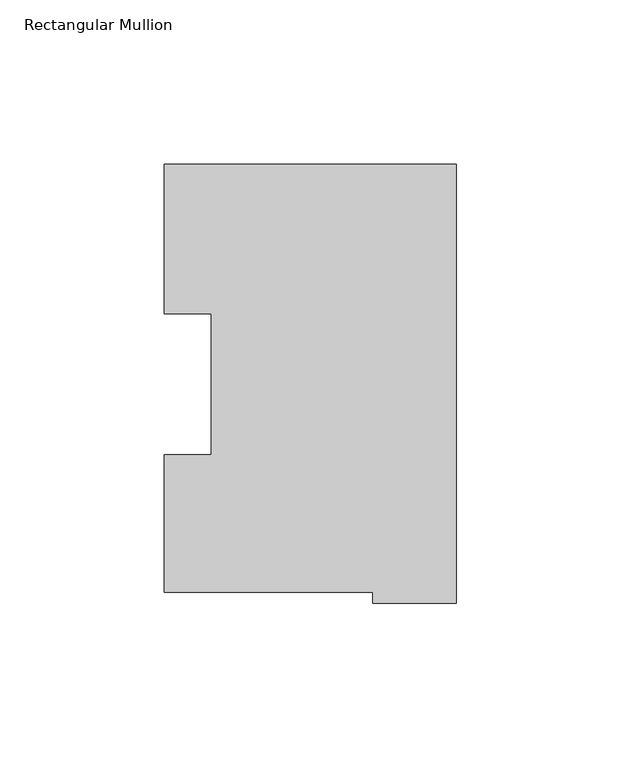
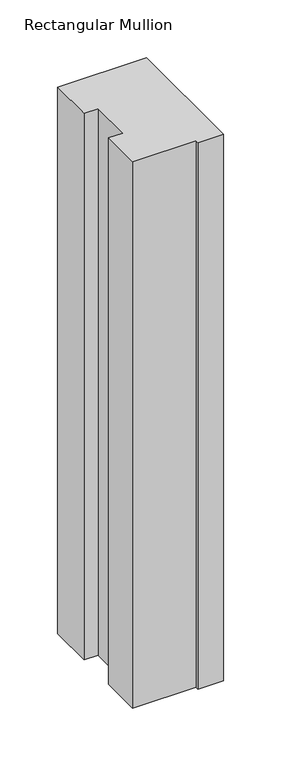
"""IFC4 building model written with IfcOpenShell, lengths in millimetres: member geometry, Rectangular Mullion."""

import ifcopenshell
import ifcopenshell.guid

model = None  # the IFC model being written
_history = None  # IfcOwnerHistory: only IFC2X3 demands one
_inside = {}  # id of a spatial element -> (the spatial element, [elements in it])
_under = {}  # id of a project, library or spatial element -> (it, [spatial elements below it])
_declared = {}  # id of a project -> (the project, [libraries it declares])
_typed = {}  # id of a type object -> (the type object, [elements of that type])
_made_of = {}  # id of a material, layer set ... -> (it, [elements and type objects made of it])


def new_model(schema):
    """Start an empty IFC model of exactly this schema.

    Asked for "IFC4X3", IfcOpenShell would pick the latest addendum, in which some entities
    have other attributes; the version numbers below select the first issue.
    IFC2X3 requires an IfcOwnerHistory on every rooted entity: one is made here for all.
    """
    global model, _history
    if schema == "IFC4X3":
        model = ifcopenshell.file(schema_version=(4, 3, 0, 0))
    else:
        model = ifcopenshell.file(schema=schema)
    _inside.clear()
    _under.clear()
    _declared.clear()
    _typed.clear()
    _made_of.clear()
    _history = None
    if model.schema == "IFC2X3":
        org = make("IfcOrganization", Name="unknown")
        user = make(
            "IfcPersonAndOrganization",
            ThePerson=make("IfcPerson", FamilyName="unknown"),
            TheOrganization=org,
        )
        app = make(
            "IfcApplication",
            ApplicationDeveloper=org,
            Version="unknown",
            ApplicationFullName="unknown",
            ApplicationIdentifier="unknown",
        )
        _history = make(
            "IfcOwnerHistory",
            OwningUser=user,
            OwningApplication=app,
            ChangeAction="ADDED",
            CreationDate=0,
        )
    return model


def make(cls, **values):
    """One entity of the class cls with the attributes given. An attribute that is None is left unset."""
    return model.create_entity(
        cls, **{name: value for name, value in values.items() if value is not None}
    )


def rooted(cls, **values):
    """An entity with a GlobalId (a new one), such as an element, a storey or a relation."""
    return make(cls, GlobalId=ifcopenshell.guid.new(), OwnerHistory=_history, **values)


def si_unit(unit_type, name, prefix=None):
    """IfcSIUnit, for example si_unit("LENGTHUNIT", "METRE", prefix="MILLI")."""
    return make("IfcSIUnit", UnitType=unit_type, Prefix=prefix, Name=name)


def assignment(units):
    """IfcUnitAssignment: the units of a project."""
    return None if units is None else make("IfcUnitAssignment", Units=units)


def point(xyz):
    """IfcCartesianPoint."""
    return None if xyz is None else make("IfcCartesianPoint", Coordinates=xyz)


def direction(xyz):
    """IfcDirection."""
    return None if xyz is None else make("IfcDirection", DirectionRatios=xyz)


def frame(location, z_axis=None, x_axis=None):
    """IfcAxis2Placement3D, a coordinate frame: its origin and axes. An axis left out is left unset."""
    return make(
        "IfcAxis2Placement3D",
        Location=point(location),
        Axis=direction(z_axis),
        RefDirection=direction(x_axis),
    )


def origin():
    """The frame at (0, 0, 0) with its axes left unset."""
    return frame((0.0, 0.0, 0.0))


def place(relative_to, where):
    """IfcLocalPlacement: puts the frame where relative to a parent placement (None: the world)."""
    return make(
        "IfcLocalPlacement", PlacementRelTo=relative_to, RelativePlacement=where
    )


def context(
    kind, dimensions, precision=None, world=None, true_north=None, identifier=None
):
    """IfcGeometricRepresentationContext, for example the 3D "Model" context."""
    return make(
        "IfcGeometricRepresentationContext",
        ContextIdentifier=identifier,
        ContextType=kind,
        CoordinateSpaceDimension=dimensions,
        Precision=precision,
        WorldCoordinateSystem=world,
        TrueNorth=true_north,
    )


def project(units=None, contexts=None):
    """IfcProject with its units and contexts."""
    return rooted(
        "IfcProject",
        Name="project",
        RepresentationContexts=contexts,
        UnitsInContext=assignment(units),
    )


def spatial(cls, under=None, at=None, **own):
    """A site, building, storey or space (cls), placed at a placement, below another one or the project."""
    s = rooted(cls, ObjectPlacement=at, **own)
    if under is not None:
        _under.setdefault(under.id(), (under, []))[1].append(s)
    return s


def polyline(points):
    """IfcPolyline through the points."""
    return make("IfcPolyline", Points=[point(p) for p in points])


def outline(outer, holes=None, kind="AREA"):
    """IfcArbitraryClosedProfileDef: a profile drawn as a closed curve; with holes, ...WithVoids."""
    if holes is None:
        return make("IfcArbitraryClosedProfileDef", ProfileType=kind, OuterCurve=outer)
    return make(
        "IfcArbitraryProfileDefWithVoids",
        ProfileType=kind,
        OuterCurve=outer,
        InnerCurves=holes,
    )


def extrude(swept, where, along, depth):
    """IfcExtrudedAreaSolid: the profile swept, set in the frame where, extruded along a direction by depth."""
    return make(
        "IfcExtrudedAreaSolid",
        SweptArea=swept,
        Position=where,
        ExtrudedDirection=direction(along),
        Depth=depth,
    )


def shape(context_of_items, identifier, shape_type, items):
    """IfcShapeRepresentation: the items that make up one representation, for example the "Body"."""
    return make(
        "IfcShapeRepresentation",
        ContextOfItems=context_of_items,
        RepresentationIdentifier=identifier,
        RepresentationType=shape_type,
        Items=items,
    )


def source(mapping_origin, context_of_items, identifier, shape_type, items):
    """IfcRepresentationMap: a shape defined once, which mapped items show again and again."""
    return make(
        "IfcRepresentationMap",
        MappingOrigin=mapping_origin,
        MappedRepresentation=shape(context_of_items, identifier, shape_type, items),
    )


def transform(
    local_origin,
    x_axis=None,
    y_axis=None,
    z_axis=None,
    scale=None,
    scale2=None,
    scale3=None,
    uniform=True,
):
    """IfcCartesianTransformationOperator3D, or its non-uniform kind. x_axis, y_axis, z_axis: its Axis1, 2, 3."""
    if uniform:
        return make(
            "IfcCartesianTransformationOperator3D",
            Axis1=direction(x_axis),
            Axis2=direction(y_axis),
            LocalOrigin=point(local_origin),
            Scale=scale,
            Axis3=direction(z_axis),
        )
    return make(
        "IfcCartesianTransformationOperator3DnonUniform",
        Axis1=direction(x_axis),
        Axis2=direction(y_axis),
        LocalOrigin=point(local_origin),
        Scale=scale,
        Axis3=direction(z_axis),
        Scale2=scale2,
        Scale3=scale3,
    )


def mapped(mapping_source, mapping_target):
    """IfcMappedItem: shows the shape of a source again, moved by a transform."""
    return make(
        "IfcMappedItem", MappingSource=mapping_source, MappingTarget=mapping_target
    )


def made_of(thing, what):
    """Note that an element or type object is made of a material, layer set ...; save() writes the relation."""
    if what is not None:
        _made_of.setdefault(what.id(), (what, []))[1].append(thing)
    return thing


def element(
    cls,
    number,
    at=None,
    inside=None,
    cuts=None,
    type_object=None,
    material=None,
    context=None,
    identifier="Body",
    shape_type=None,
    held_by="IfcProductDefinitionShape",
    body=None,
    shapes=None,
    **own,
):
    """One element of the class cls, such as IfcWall. Its Tag is "e" and its number.

    at: its placement. inside: the storey or other place that contains it. cuts: it is an
    opening in that element (IfcRelVoidsElement). A single representation is given by context,
    identifier, shape_type and body (its items); several are given by shapes. held_by: the class
    of the entity that holds the representations. save() writes the other relations.
    """
    e = rooted(cls, Tag="e%d" % number, ObjectPlacement=at, **own)
    if body is not None:
        shapes = [shape(context, identifier, shape_type, body)]
    if shapes is not None:
        e.Representation = make(held_by, Representations=shapes)
    if inside is not None:
        _inside.setdefault(inside.id(), (inside, []))[1].append(e)
    if cuts is not None:
        rooted(
            "IfcRelVoidsElement", RelatingBuildingElement=cuts, RelatedOpeningElement=e
        )
    if type_object is not None:
        _typed.setdefault(type_object.id(), (type_object, []))[1].append(e)
    return made_of(e, material)


def aggregate(whole, parts):
    """IfcRelAggregates: a whole, such as a stair, and the parts it consists of."""
    return rooted("IfcRelAggregates", RelatingObject=whole, RelatedObjects=parts)


def save(model, path):
    """Write the relations noted so far, then the file.

    IfcRelAggregates (storeys below a building ...), IfcRelContainedInSpatialStructure (elements
    in a storey), IfcRelDefinesByType, IfcRelAssociatesMaterial and IfcRelDeclares: one each for
    every whole, place, type object, material and project.
    """
    for whole, parts in _under.values():
        aggregate(whole, parts)
    for where, things in _inside.values():
        rooted(
            "IfcRelContainedInSpatialStructure",
            RelatedElements=things,
            RelatingStructure=where,
        )
    for kind, things in _typed.values():
        rooted("IfcRelDefinesByType", RelatedObjects=things, RelatingType=kind)
    for what, things in _made_of.values():
        rooted("IfcRelAssociatesMaterial", RelatedObjects=things, RelatingMaterial=what)
    for by, libraries in _declared.values():
        rooted("IfcRelDeclares", RelatingContext=by, RelatedDefinitions=libraries)
    model.write(path)


def rectangular_mullion_1b0fc2f9(model_context):
    return source(origin(), model_context, "Body", "SweptSolid", [
        extrude(outline(polyline([(0.0, 130.1884774), (0.0, -3.4917226), (-25.3999997, -3.4917226), (-25.3999997, -0.0373193), (-88.8999997, -0.0373193), (-88.8999997, 41.7876084), (-74.6124997, 41.75685), (-74.6124997, 84.6335937), (-88.8999997, 84.6335937), (-88.8999997, 130.1884774), (0.0, 130.1884774)])), frame((0.0, 0.0, -577.8494574), z_axis=(0.0, 0.0, 1.0), x_axis=(1.0, 0.0, 0.0)), (0.0, 0.0, 1.0), 577.8494574),
    ])


if __name__ == "__main__":
    model = new_model("IFC4")
    model_context = context("Model", 3, world=origin())
    ifc_project = project(units=[si_unit("LENGTHUNIT", "METRE", prefix="MILLI")], contexts=[model_context])
    site = spatial("IfcSite", under=ifc_project)
    building = spatial("IfcBuilding", under=site)
    placement = place(None, origin())
    rectangular_mullion_shape = rectangular_mullion_1b0fc2f9(model_context)
    element("IfcMember", 1, ObjectType="Rectangular Mullion", at=placement, inside=building, context=model_context, shape_type="MappedRepresentation", body=[
        mapped(rectangular_mullion_shape, transform((0.0, 0.0, 0.0), x_axis=(1.0, 0.0, 0.0), y_axis=(0.0, 1.0, 0.0), z_axis=(0.0, 0.0, 1.0))),
    ])
    save(model, "model.ifc")
